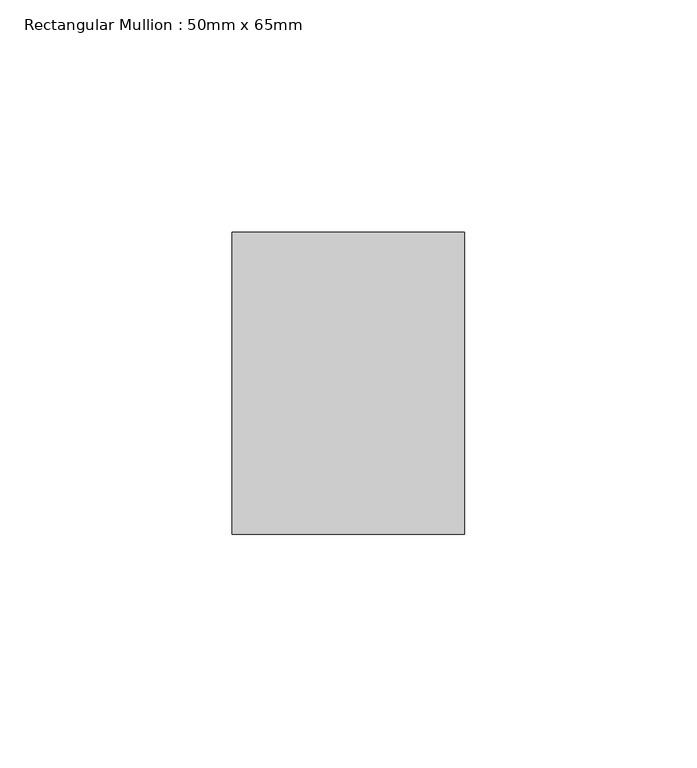
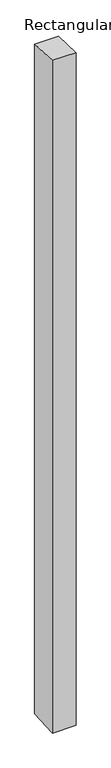
"""IFC4 building model written with IfcOpenShell, lengths in millimetres: member geometry, Rectangular Mullion : 50mm x 65mm."""

from ifc_helpers import new_model, si_unit, origin, place, context, project, spatial, faceted_brep, source, transform, mapped, element, save


def rectangular_mullion_50mm_x_65mm_fb825ff6(model_context):
    return source(origin(), model_context, "Body", "Brep", [
        faceted_brep([(-25.0, 32.5, -1.4676712), (25.0, 32.5, -1.4676796), (25.0, 32.5, -1498.1021334), (-25.0, 32.5, -1498.1021443), (-25.0, -32.5, 1.4676796), (-25.0, -32.5, -1501.8978881), (25.0, -32.5, 1.4676712), (25.0, -32.5, -1501.8978773)], [[[0, 1, 2, 3]], [[4, 0, 3, 5]], [[6, 4, 5, 7]], [[1, 6, 7, 2]], [[1, 0, 4, 6]], [[2, 7, 5, 3]]]),
    ])


if __name__ == "__main__":
    model = new_model("IFC4")
    model_context = context("Model", 3, world=origin())
    ifc_project = project(units=[si_unit("LENGTHUNIT", "METRE", prefix="MILLI")], contexts=[model_context])
    site = spatial("IfcSite", under=ifc_project)
    building = spatial("IfcBuilding", under=site)
    placement = place(None, origin())
    rectangular_mullion_50mm_x_65mm_shape = rectangular_mullion_50mm_x_65mm_fb825ff6(model_context)
    element("IfcMember", 1, ObjectType="Rectangular Mullion : 50mm x 65mm", at=placement, inside=building, context=model_context, shape_type="MappedRepresentation", body=[
        mapped(rectangular_mullion_50mm_x_65mm_shape, transform((0.0, 0.0, 0.0), x_axis=(1.0, 0.0, 0.0), y_axis=(0.0, 1.0, 0.0), z_axis=(0.0, 0.0, 1.0))),
    ])
    save(model, "model.ifc")
